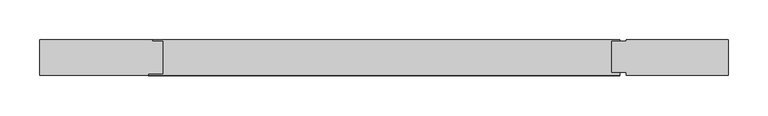
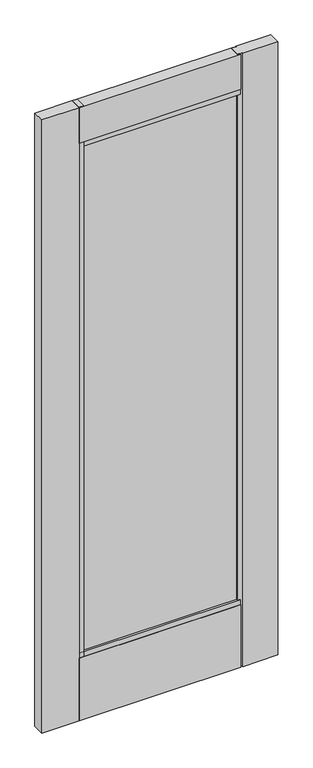
"""IFC4 building model written with IfcOpenShell, lengths in millimetres: plate geometry."""

import ifcopenshell
import ifcopenshell.guid

model = None  # the IFC model being written
_history = None  # IfcOwnerHistory: only IFC2X3 demands one
_inside = {}  # id of a spatial element -> (the spatial element, [elements in it])
_under = {}  # id of a project, library or spatial element -> (it, [spatial elements below it])
_declared = {}  # id of a project -> (the project, [libraries it declares])
_typed = {}  # id of a type object -> (the type object, [elements of that type])
_made_of = {}  # id of a material, layer set ... -> (it, [elements and type objects made of it])


def new_model(schema):
    """Start an empty IFC model of exactly this schema.

    Asked for "IFC4X3", IfcOpenShell would pick the latest addendum, in which some entities
    have other attributes; the version numbers below select the first issue.
    IFC2X3 requires an IfcOwnerHistory on every rooted entity: one is made here for all.
    """
    global model, _history
    if schema == "IFC4X3":
        model = ifcopenshell.file(schema_version=(4, 3, 0, 0))
    else:
        model = ifcopenshell.file(schema=schema)
    _inside.clear()
    _under.clear()
    _declared.clear()
    _typed.clear()
    _made_of.clear()
    _history = None
    if model.schema == "IFC2X3":
        org = make("IfcOrganization", Name="unknown")
        user = make(
            "IfcPersonAndOrganization",
            ThePerson=make("IfcPerson", FamilyName="unknown"),
            TheOrganization=org,
        )
        app = make(
            "IfcApplication",
            ApplicationDeveloper=org,
            Version="unknown",
            ApplicationFullName="unknown",
            ApplicationIdentifier="unknown",
        )
        _history = make(
            "IfcOwnerHistory",
            OwningUser=user,
            OwningApplication=app,
            ChangeAction="ADDED",
            CreationDate=0,
        )
    return model


def make(cls, **values):
    """One entity of the class cls with the attributes given. An attribute that is None is left unset."""
    return model.create_entity(
        cls, **{name: value for name, value in values.items() if value is not None}
    )


def rooted(cls, **values):
    """An entity with a GlobalId (a new one), such as an element, a storey or a relation."""
    return make(cls, GlobalId=ifcopenshell.guid.new(), OwnerHistory=_history, **values)


def si_unit(unit_type, name, prefix=None):
    """IfcSIUnit, for example si_unit("LENGTHUNIT", "METRE", prefix="MILLI")."""
    return make("IfcSIUnit", UnitType=unit_type, Prefix=prefix, Name=name)


def assignment(units):
    """IfcUnitAssignment: the units of a project."""
    return None if units is None else make("IfcUnitAssignment", Units=units)


def point(xyz):
    """IfcCartesianPoint."""
    return None if xyz is None else make("IfcCartesianPoint", Coordinates=xyz)


def direction(xyz):
    """IfcDirection."""
    return None if xyz is None else make("IfcDirection", DirectionRatios=xyz)


def frame(location, z_axis=None, x_axis=None):
    """IfcAxis2Placement3D, a coordinate frame: its origin and axes. An axis left out is left unset."""
    return make(
        "IfcAxis2Placement3D",
        Location=point(location),
        Axis=direction(z_axis),
        RefDirection=direction(x_axis),
    )


def origin():
    """The frame at (0, 0, 0) with its axes left unset."""
    return frame((0.0, 0.0, 0.0))


def place(relative_to, where):
    """IfcLocalPlacement: puts the frame where relative to a parent placement (None: the world)."""
    return make(
        "IfcLocalPlacement", PlacementRelTo=relative_to, RelativePlacement=where
    )


def context(
    kind, dimensions, precision=None, world=None, true_north=None, identifier=None
):
    """IfcGeometricRepresentationContext, for example the 3D "Model" context."""
    return make(
        "IfcGeometricRepresentationContext",
        ContextIdentifier=identifier,
        ContextType=kind,
        CoordinateSpaceDimension=dimensions,
        Precision=precision,
        WorldCoordinateSystem=world,
        TrueNorth=true_north,
    )


def project(units=None, contexts=None):
    """IfcProject with its units and contexts."""
    return rooted(
        "IfcProject",
        Name="project",
        RepresentationContexts=contexts,
        UnitsInContext=assignment(units),
    )


def spatial(cls, under=None, at=None, **own):
    """A site, building, storey or space (cls), placed at a placement, below another one or the project."""
    s = rooted(cls, ObjectPlacement=at, **own)
    if under is not None:
        _under.setdefault(under.id(), (under, []))[1].append(s)
    return s


def polyline(points):
    """IfcPolyline through the points."""
    return make("IfcPolyline", Points=[point(p) for p in points])


def outline(outer, holes=None, kind="AREA"):
    """IfcArbitraryClosedProfileDef: a profile drawn as a closed curve; with holes, ...WithVoids."""
    if holes is None:
        return make("IfcArbitraryClosedProfileDef", ProfileType=kind, OuterCurve=outer)
    return make(
        "IfcArbitraryProfileDefWithVoids",
        ProfileType=kind,
        OuterCurve=outer,
        InnerCurves=holes,
    )


def extrude(swept, where, along, depth):
    """IfcExtrudedAreaSolid: the profile swept, set in the frame where, extruded along a direction by depth."""
    return make(
        "IfcExtrudedAreaSolid",
        SweptArea=swept,
        Position=where,
        ExtrudedDirection=direction(along),
        Depth=depth,
    )


def shape(context_of_items, identifier, shape_type, items):
    """IfcShapeRepresentation: the items that make up one representation, for example the "Body"."""
    return make(
        "IfcShapeRepresentation",
        ContextOfItems=context_of_items,
        RepresentationIdentifier=identifier,
        RepresentationType=shape_type,
        Items=items,
    )


def source(mapping_origin, context_of_items, identifier, shape_type, items):
    """IfcRepresentationMap: a shape defined once, which mapped items show again and again."""
    return make(
        "IfcRepresentationMap",
        MappingOrigin=mapping_origin,
        MappedRepresentation=shape(context_of_items, identifier, shape_type, items),
    )


def transform(
    local_origin,
    x_axis=None,
    y_axis=None,
    z_axis=None,
    scale=None,
    scale2=None,
    scale3=None,
    uniform=True,
):
    """IfcCartesianTransformationOperator3D, or its non-uniform kind. x_axis, y_axis, z_axis: its Axis1, 2, 3."""
    if uniform:
        return make(
            "IfcCartesianTransformationOperator3D",
            Axis1=direction(x_axis),
            Axis2=direction(y_axis),
            LocalOrigin=point(local_origin),
            Scale=scale,
            Axis3=direction(z_axis),
        )
    return make(
        "IfcCartesianTransformationOperator3DnonUniform",
        Axis1=direction(x_axis),
        Axis2=direction(y_axis),
        LocalOrigin=point(local_origin),
        Scale=scale,
        Axis3=direction(z_axis),
        Scale2=scale2,
        Scale3=scale3,
    )


def mapped(mapping_source, mapping_target):
    """IfcMappedItem: shows the shape of a source again, moved by a transform."""
    return make(
        "IfcMappedItem", MappingSource=mapping_source, MappingTarget=mapping_target
    )


def made_of(thing, what):
    """Note that an element or type object is made of a material, layer set ...; save() writes the relation."""
    if what is not None:
        _made_of.setdefault(what.id(), (what, []))[1].append(thing)
    return thing


def element(
    cls,
    number,
    at=None,
    inside=None,
    cuts=None,
    type_object=None,
    material=None,
    context=None,
    identifier="Body",
    shape_type=None,
    held_by="IfcProductDefinitionShape",
    body=None,
    shapes=None,
    **own,
):
    """One element of the class cls, such as IfcWall. Its Tag is "e" and its number.

    at: its placement. inside: the storey or other place that contains it. cuts: it is an
    opening in that element (IfcRelVoidsElement). A single representation is given by context,
    identifier, shape_type and body (its items); several are given by shapes. held_by: the class
    of the entity that holds the representations. save() writes the other relations.
    """
    e = rooted(cls, Tag="e%d" % number, ObjectPlacement=at, **own)
    if body is not None:
        shapes = [shape(context, identifier, shape_type, body)]
    if shapes is not None:
        e.Representation = make(held_by, Representations=shapes)
    if inside is not None:
        _inside.setdefault(inside.id(), (inside, []))[1].append(e)
    if cuts is not None:
        rooted(
            "IfcRelVoidsElement", RelatingBuildingElement=cuts, RelatedOpeningElement=e
        )
    if type_object is not None:
        _typed.setdefault(type_object.id(), (type_object, []))[1].append(e)
    return made_of(e, material)


def aggregate(whole, parts):
    """IfcRelAggregates: a whole, such as a stair, and the parts it consists of."""
    return rooted("IfcRelAggregates", RelatingObject=whole, RelatedObjects=parts)


def save(model, path):
    """Write the relations noted so far, then the file.

    IfcRelAggregates (storeys below a building ...), IfcRelContainedInSpatialStructure (elements
    in a storey), IfcRelDefinesByType, IfcRelAssociatesMaterial and IfcRelDeclares: one each for
    every whole, place, type object, material and project.
    """
    for whole, parts in _under.values():
        aggregate(whole, parts)
    for where, things in _inside.values():
        rooted(
            "IfcRelContainedInSpatialStructure",
            RelatedElements=things,
            RelatingStructure=where,
        )
    for kind, things in _typed.values():
        rooted("IfcRelDefinesByType", RelatedObjects=things, RelatingType=kind)
    for what, things in _made_of.values():
        rooted("IfcRelAssociatesMaterial", RelatedObjects=things, RelatingMaterial=what)
    for by, libraries in _declared.values():
        rooted("IfcRelDeclares", RelatingContext=by, RelatedDefinitions=libraries)
    model.write(path)


def plate_7514856b(model_context):
    return source(origin(), model_context, "Body", "SweptSolid", [
        extrude(outline(polyline([(-428.0452987, 12.7), (-287.0116119, 12.7), (-287.0116119, 11.1401195), (-274.3116119, 11.1401195), (-274.3116119, -29.8804584), (-292.3007581, -29.8804584), (-292.3007581, -31.75), (-428.0452987, -31.75), (-428.0452987, 12.7)])), frame((0.0, 0.0, 17.4625), z_axis=(0.0, 0.0, 1.0), x_axis=(1.0, 0.0, 0.0)), (0.0, 0.0, 1.0), 2370.0472853),
        extrude(outline(polyline([(-287.9922944, -22.0576082), (-287.9922944, 3.2280704), (290.7419161, 3.2280704), (290.7419161, -22.0576082), (-287.9922944, -22.0576082)])), frame((0.0, 0.0, 263.906), z_axis=(0.0, 0.0, 1.0), x_axis=(1.0, 0.0, 0.0)), (0.0, 0.0, 1.0), 1982.3312713),
        extrude(outline(polyline([(434.3952987, 12.7), (434.3952987, -31.75), (306.5983737, -31.75), (306.5983737, -27.6447968), (288.5991119, -27.6447968), (288.5991119, 11.1401195), (306.5983737, 11.1401195), (306.5983737, 12.7), (434.3952987, 12.7)])), frame((0.0, 0.0, 17.4625), z_axis=(0.0, 0.0, 1.0), x_axis=(1.0, 0.0, 0.0)), (0.0, 0.0, 1.0), 2370.0472853),
        extrude(outline(polyline([(-31.75, 2387.5097853), (12.7, 2387.5097853), (12.7, 2251.0025653), (11.1401195, 2251.0025653), (11.1401195, 2231.9497713), (-29.8804584, 2231.9497713), (-29.8804584, 2251.0025653), (-31.75, 2251.0025653), (-31.75, 2387.5097853)])), frame((-292.3007581, 0.0, 0.0), z_axis=(1.0, 0.0, 0.0), x_axis=(0.0, 1.0, 0.0)), (0.0, 0.0, 1.0), 590.9616317),
        extrude(outline(polyline([(-29.8804584, 277.8125), (11.1401195, 277.8125), (11.1401195, 258.7303916), (12.7, 258.7303916), (12.7, 17.4625), (-31.75, 17.4625), (-31.75, 258.7303916), (-29.8804584, 258.7303916), (-29.8804584, 277.8125)])), frame((-292.3007581, 0.0, 0.0), z_axis=(1.0, 0.0, 0.0), x_axis=(0.0, 1.0, 0.0)), (0.0, 0.0, 1.0), 590.9616317),
    ])


if __name__ == "__main__":
    model = new_model("IFC4")
    model_context = context("Model", 3, world=origin())
    ifc_project = project(units=[si_unit("LENGTHUNIT", "METRE", prefix="MILLI")], contexts=[model_context])
    site = spatial("IfcSite", under=ifc_project)
    building = spatial("IfcBuilding", under=site)
    placement = place(None, origin())
    plate_shape = plate_7514856b(model_context)
    element("IfcPlate", 1, at=placement, inside=building, context=model_context, shape_type="MappedRepresentation", body=[
        mapped(plate_shape, transform((0.0, 0.0, 0.0), x_axis=(1.0, 0.0, 0.0), y_axis=(0.0, 1.0, 0.0), z_axis=(0.0, 0.0, 1.0))),
    ])
    save(model, "model.ifc")
